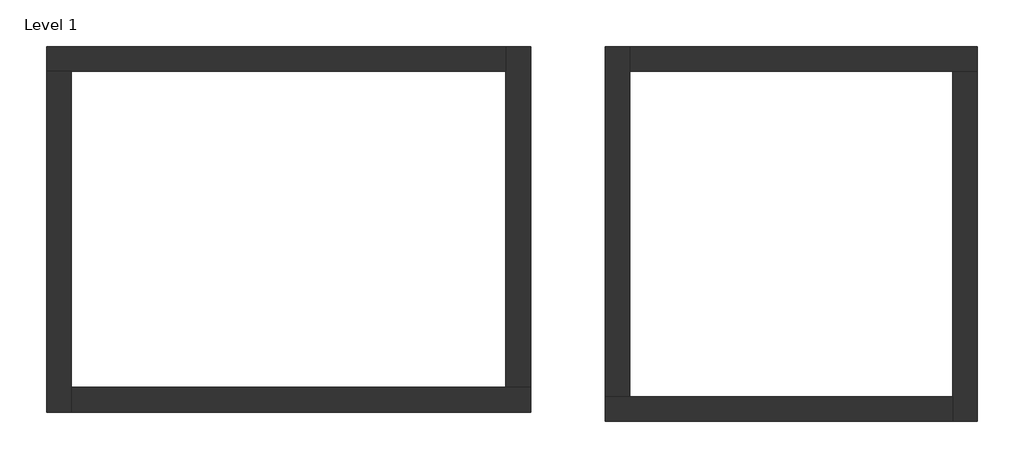
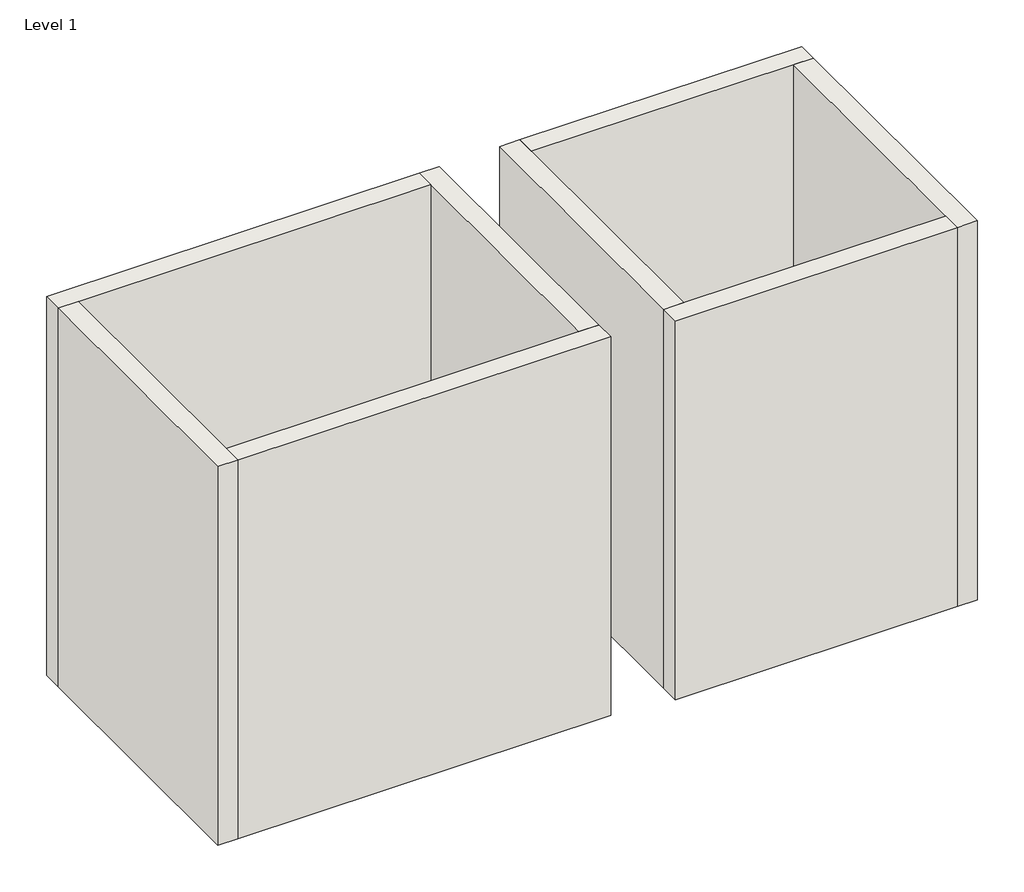
# One storey: 8 walls.
"""IFC4 building model written with IfcOpenShell, lengths in millimetres."""

import ifcopenshell
import ifcopenshell.guid

model = None  # the IFC model being written
_history = None  # IfcOwnerHistory: only IFC2X3 demands one
_inside = {}  # id of a spatial element -> (the spatial element, [elements in it])
_under = {}  # id of a project, library or spatial element -> (it, [spatial elements below it])
_declared = {}  # id of a project -> (the project, [libraries it declares])
_typed = {}  # id of a type object -> (the type object, [elements of that type])
_made_of = {}  # id of a material, layer set ... -> (it, [elements and type objects made of it])


def new_model(schema):
    """Start an empty IFC model of exactly this schema.

    Asked for "IFC4X3", IfcOpenShell would pick the latest addendum, in which some entities
    have other attributes; the version numbers below select the first issue.
    IFC2X3 requires an IfcOwnerHistory on every rooted entity: one is made here for all.
    """
    global model, _history
    if schema == "IFC4X3":
        model = ifcopenshell.file(schema_version=(4, 3, 0, 0))
    else:
        model = ifcopenshell.file(schema=schema)
    _inside.clear()
    _under.clear()
    _declared.clear()
    _typed.clear()
    _made_of.clear()
    _history = None
    if model.schema == "IFC2X3":
        org = make("IfcOrganization", Name="unknown")
        user = make(
            "IfcPersonAndOrganization",
            ThePerson=make("IfcPerson", FamilyName="unknown"),
            TheOrganization=org,
        )
        app = make(
            "IfcApplication",
            ApplicationDeveloper=org,
            Version="unknown",
            ApplicationFullName="unknown",
            ApplicationIdentifier="unknown",
        )
        _history = make(
            "IfcOwnerHistory",
            OwningUser=user,
            OwningApplication=app,
            ChangeAction="ADDED",
            CreationDate=0,
        )
    return model


def make(cls, **values):
    """One entity of the class cls with the attributes given. An attribute that is None is left unset."""
    return model.create_entity(
        cls, **{name: value for name, value in values.items() if value is not None}
    )


def rooted(cls, **values):
    """An entity with a GlobalId (a new one), such as an element, a storey or a relation."""
    return make(cls, GlobalId=ifcopenshell.guid.new(), OwnerHistory=_history, **values)


def si_unit(unit_type, name, prefix=None):
    """IfcSIUnit, for example si_unit("LENGTHUNIT", "METRE", prefix="MILLI")."""
    return make("IfcSIUnit", UnitType=unit_type, Prefix=prefix, Name=name)


def assignment(units):
    """IfcUnitAssignment: the units of a project."""
    return None if units is None else make("IfcUnitAssignment", Units=units)


def point(xyz):
    """IfcCartesianPoint."""
    return None if xyz is None else make("IfcCartesianPoint", Coordinates=xyz)


def direction(xyz):
    """IfcDirection."""
    return None if xyz is None else make("IfcDirection", DirectionRatios=xyz)


def frame(location, z_axis=None, x_axis=None):
    """IfcAxis2Placement3D, a coordinate frame: its origin and axes. An axis left out is left unset."""
    return make(
        "IfcAxis2Placement3D",
        Location=point(location),
        Axis=direction(z_axis),
        RefDirection=direction(x_axis),
    )


def origin():
    """The frame at (0, 0, 0) with its axes left unset."""
    return frame((0.0, 0.0, 0.0))


def place(relative_to, where):
    """IfcLocalPlacement: puts the frame where relative to a parent placement (None: the world)."""
    return make(
        "IfcLocalPlacement", PlacementRelTo=relative_to, RelativePlacement=where
    )


def context(
    kind, dimensions, precision=None, world=None, true_north=None, identifier=None
):
    """IfcGeometricRepresentationContext, for example the 3D "Model" context."""
    return make(
        "IfcGeometricRepresentationContext",
        ContextIdentifier=identifier,
        ContextType=kind,
        CoordinateSpaceDimension=dimensions,
        Precision=precision,
        WorldCoordinateSystem=world,
        TrueNorth=true_north,
    )


def project(units=None, contexts=None):
    """IfcProject with its units and contexts."""
    return rooted(
        "IfcProject",
        Name="project",
        RepresentationContexts=contexts,
        UnitsInContext=assignment(units),
    )


def spatial(cls, under=None, at=None, **own):
    """A site, building, storey or space (cls), placed at a placement, below another one or the project."""
    s = rooted(cls, ObjectPlacement=at, **own)
    if under is not None:
        _under.setdefault(under.id(), (under, []))[1].append(s)
    return s


def faces_of(points, faces, orient=None, outer=None):
    """IfcFace entities. A face is a list of loops; a loop is a list of indices into points, from 0.

    orient and outer hold one flag for each loop. By default every Orientation is true, the
    first loop of a face is its IfcFaceOuterBound and the others are IfcFaceBound.
    """
    made = []
    for i, loops in enumerate(faces):
        bounds = []
        for j, loop in enumerate(loops):
            is_outer = j == 0 if outer is None else outer[i][j]
            bounds.append(
                make(
                    "IfcFaceOuterBound" if is_outer else "IfcFaceBound",
                    Bound=make("IfcPolyLoop", Polygon=[points[k] for k in loop]),
                    Orientation=True if orient is None else orient[i][j],
                )
            )
        made.append(make("IfcFace", Bounds=bounds))
    return made


def faceted_brep(points, faces, orient=None, outer=None, voids=None):
    """IfcFacetedBrep: a solid bounded by flat faces; with voids (closed shells), ...WithVoids."""
    shared = [point(p) for p in points]
    hull = make("IfcClosedShell", CfsFaces=faces_of(shared, faces, orient, outer))
    if voids is None:
        return make("IfcFacetedBrep", Outer=hull)
    return make(
        "IfcFacetedBrepWithVoids",
        Outer=hull,
        Voids=[
            make(cls, CfsFaces=faces_of(shared, fs, o, b)) for cls, fs, o, b in voids
        ],
    )


def shape(context_of_items, identifier, shape_type, items):
    """IfcShapeRepresentation: the items that make up one representation, for example the "Body"."""
    return make(
        "IfcShapeRepresentation",
        ContextOfItems=context_of_items,
        RepresentationIdentifier=identifier,
        RepresentationType=shape_type,
        Items=items,
    )


def made_of(thing, what):
    """Note that an element or type object is made of a material, layer set ...; save() writes the relation."""
    if what is not None:
        _made_of.setdefault(what.id(), (what, []))[1].append(thing)
    return thing


def element(
    cls,
    number,
    at=None,
    inside=None,
    cuts=None,
    type_object=None,
    material=None,
    context=None,
    identifier="Body",
    shape_type=None,
    held_by="IfcProductDefinitionShape",
    body=None,
    shapes=None,
    **own,
):
    """One element of the class cls, such as IfcWall. Its Tag is "e" and its number.

    at: its placement. inside: the storey or other place that contains it. cuts: it is an
    opening in that element (IfcRelVoidsElement). A single representation is given by context,
    identifier, shape_type and body (its items); several are given by shapes. held_by: the class
    of the entity that holds the representations. save() writes the other relations.
    """
    e = rooted(cls, Tag="e%d" % number, ObjectPlacement=at, **own)
    if body is not None:
        shapes = [shape(context, identifier, shape_type, body)]
    if shapes is not None:
        e.Representation = make(held_by, Representations=shapes)
    if inside is not None:
        _inside.setdefault(inside.id(), (inside, []))[1].append(e)
    if cuts is not None:
        rooted(
            "IfcRelVoidsElement", RelatingBuildingElement=cuts, RelatedOpeningElement=e
        )
    if type_object is not None:
        _typed.setdefault(type_object.id(), (type_object, []))[1].append(e)
    return made_of(e, material)


def aggregate(whole, parts):
    """IfcRelAggregates: a whole, such as a stair, and the parts it consists of."""
    return rooted("IfcRelAggregates", RelatingObject=whole, RelatedObjects=parts)


def save(model, path):
    """Write the relations noted so far, then the file.

    IfcRelAggregates (storeys below a building ...), IfcRelContainedInSpatialStructure (elements
    in a storey), IfcRelDefinesByType, IfcRelAssociatesMaterial and IfcRelDeclares: one each for
    every whole, place, type object, material and project.
    """
    for whole, parts in _under.values():
        aggregate(whole, parts)
    for where, things in _inside.values():
        rooted(
            "IfcRelContainedInSpatialStructure",
            RelatedElements=things,
            RelatingStructure=where,
        )
    for kind, things in _typed.values():
        rooted("IfcRelDefinesByType", RelatedObjects=things, RelatingType=kind)
    for what, things in _made_of.values():
        rooted("IfcRelAssociatesMaterial", RelatedObjects=things, RelatingMaterial=what)
    for by, libraries in _declared.values():
        rooted("IfcRelDeclares", RelatingContext=by, RelatedDefinitions=libraries)
    model.write(path)


model = new_model("IFC4")

# Units and contexts
model_context = context("Model", 3, world=origin())
ifc_project = project(units=[si_unit("LENGTHUNIT", "METRE", prefix="MILLI")], contexts=[model_context])

# Site, building, storey
site = spatial("IfcSite", under=ifc_project)
building = spatial("IfcBuilding", under=site)
storey = spatial("IfcBuildingStorey", under=building, Name="Level 1", Elevation=0.0)

# Walls
placement = place(None, origin())
element("IfcWall", 1, ObjectType="Wall 1", at=placement, inside=storey, context=model_context, shape_type="Brep", body=[
    faceted_brep([(-481.5789474, 3719.0789474, 0.0), (-281.5789474, 3719.0789474, 0.0), (3238.4210526, 3719.0789474, 0.0), (3238.4210526, 3719.0789474, 4000.0), (-281.5789474, 3719.0789474, 4000.0), (-481.5789474, 3719.0789474, 4000.0), (-481.5789474, 3919.0789474, 0.0), (-481.5789474, 3919.0789474, 4000.0), (3238.4210526, 3919.0789474, 4000.0), (3238.4210526, 3919.0789474, 0.0)], [[[0, 1, 2, 3, 4, 5]], [[6, 7, 8, 9]], [[2, 1, 0, 6, 9]], [[5, 4, 3, 8, 7]], [[0, 5, 7, 6]], [[3, 2, 9, 8]]]),
])
element("IfcWall", 2, ObjectType="Wall 1", at=placement, inside=storey, context=model_context, shape_type="Brep", body=[
    faceted_brep([(-281.5789474, 959.0789474, 0.0), (-281.5789474, 1159.0789474, 0.0), (-281.5789474, 3719.0789474, 0.0), (-281.5789474, 3719.0789474, 4000.0), (-281.5789474, 1159.0789474, 4000.0), (-281.5789474, 959.0789474, 4000.0), (-481.5789474, 959.0789474, 0.0), (-481.5789474, 959.0789474, 4000.0), (-481.5789474, 3719.0789474, 4000.0), (-481.5789474, 3719.0789474, 0.0)], [[[0, 1, 2, 3, 4, 5]], [[6, 7, 8, 9]], [[2, 1, 0, 6, 9]], [[5, 4, 3, 8, 7]], [[0, 5, 7, 6]], [[3, 2, 9, 8]]]),
])
element("IfcWall", 3, ObjectType="Wall 1", at=placement, inside=storey, context=model_context, shape_type="Brep", body=[
    faceted_brep([(3438.4210526, 1159.0789474, 0.0), (3238.4210526, 1159.0789474, 0.0), (-281.5789474, 1159.0789474, 0.0), (-281.5789474, 1159.0789474, 4000.0), (3238.4210526, 1159.0789474, 4000.0), (3438.4210526, 1159.0789474, 4000.0), (3438.4210526, 959.0789474, 0.0), (3438.4210526, 959.0789474, 4000.0), (-281.5789474, 959.0789474, 4000.0), (-281.5789474, 959.0789474, 0.0)], [[[0, 1, 2, 3, 4, 5]], [[6, 7, 8, 9]], [[2, 1, 0, 6, 9]], [[5, 4, 3, 8, 7]], [[0, 5, 7, 6]], [[3, 2, 9, 8]]]),
])
element("IfcWall", 4, ObjectType="Wall 1", at=placement, inside=storey, context=model_context, shape_type="Brep", body=[
    faceted_brep([(3238.4210526, 3919.0789474, 0.0), (3238.4210526, 3719.0789474, 0.0), (3238.4210526, 1159.0789474, 0.0), (3238.4210526, 1159.0789474, 4000.0), (3238.4210526, 3719.0789474, 4000.0), (3238.4210526, 3919.0789474, 4000.0), (3438.4210526, 3919.0789474, 0.0), (3438.4210526, 3919.0789474, 4000.0), (3438.4210526, 1159.0789474, 4000.0), (3438.4210526, 1159.0789474, 0.0)], [[[0, 1, 2, 3, 4, 5]], [[6, 7, 8, 9]], [[2, 1, 0, 6, 9]], [[5, 4, 3, 8, 7]], [[0, 5, 7, 6]], [[3, 2, 9, 8]]]),
])
element("IfcWall", 5, ObjectType="Wall 1", at=placement, inside=storey, context=model_context, shape_type="Brep", body=[
    faceted_brep([(4041.4473684, 883.5526316, 0.0), (6857.2368421, 883.5526316, 0.0), (6857.2368421, 883.5526316, 4000.0), (4041.4473684, 883.5526316, 4000.0), (4041.4473684, 1083.5526316, 0.0), (4041.4473684, 1083.5526316, 4000.0), (4241.4473684, 1083.5526316, 4000.0), (6857.2368421, 1083.5526316, 4000.0), (6857.2368421, 1083.5526316, 0.0), (4241.4473684, 1083.5526316, 0.0)], [[[0, 1, 2, 3]], [[4, 5, 6, 7, 8, 9]], [[1, 0, 4, 9, 8]], [[3, 2, 7, 6, 5]], [[0, 3, 5, 4]], [[2, 1, 8, 7]]]),
])
element("IfcWall", 6, ObjectType="Wall 1", at=placement, inside=storey, context=model_context, shape_type="Brep", body=[
    faceted_brep([(4041.4473684, 3919.0789474, 0.0), (4041.4473684, 1083.5526316, 0.0), (4041.4473684, 1083.5526316, 4000.0), (4041.4473684, 3919.0789474, 4000.0), (4241.4473684, 3919.0789474, 0.0), (4241.4473684, 3919.0789474, 4000.0), (4241.4473684, 3719.0789474, 4000.0), (4241.4473684, 1083.5526316, 4000.0), (4241.4473684, 1083.5526316, 0.0), (4241.4473684, 3719.0789474, 0.0)], [[[0, 1, 2, 3]], [[4, 5, 6, 7, 8, 9]], [[1, 0, 4, 9, 8]], [[3, 2, 7, 6, 5]], [[0, 3, 5, 4]], [[2, 1, 8, 7]]]),
])
element("IfcWall", 7, ObjectType="Wall 1", at=placement, inside=storey, context=model_context, shape_type="Brep", body=[
    faceted_brep([(7057.2368421, 3919.0789474, 0.0), (4241.4473684, 3919.0789474, 0.0), (4241.4473684, 3919.0789474, 4000.0), (7057.2368421, 3919.0789474, 4000.0), (7057.2368421, 3719.0789474, 0.0), (7057.2368421, 3719.0789474, 4000.0), (6857.2368421, 3719.0789474, 4000.0), (4241.4473684, 3719.0789474, 4000.0), (4241.4473684, 3719.0789474, 0.0), (6857.2368421, 3719.0789474, 0.0)], [[[0, 1, 2, 3]], [[4, 5, 6, 7, 8, 9]], [[1, 0, 4, 9, 8]], [[3, 2, 7, 6, 5]], [[0, 3, 5, 4]], [[2, 1, 8, 7]]]),
])
element("IfcWall", 8, ObjectType="Wall 1", at=placement, inside=storey, context=model_context, shape_type="Brep", body=[
    faceted_brep([(7057.2368421, 883.5526316, 0.0), (7057.2368421, 3719.0789474, 0.0), (7057.2368421, 3719.0789474, 4000.0), (7057.2368421, 883.5526316, 4000.0), (6857.2368421, 883.5526316, 0.0), (6857.2368421, 883.5526316, 4000.0), (6857.2368421, 1083.5526316, 4000.0), (6857.2368421, 3719.0789474, 4000.0), (6857.2368421, 3719.0789474, 0.0), (6857.2368421, 1083.5526316, 0.0)], [[[0, 1, 2, 3]], [[4, 5, 6, 7, 8, 9]], [[1, 0, 4, 9, 8]], [[3, 2, 7, 6, 5]], [[0, 3, 5, 4]], [[2, 1, 8, 7]]]),
])

save(model, "model.ifc")
